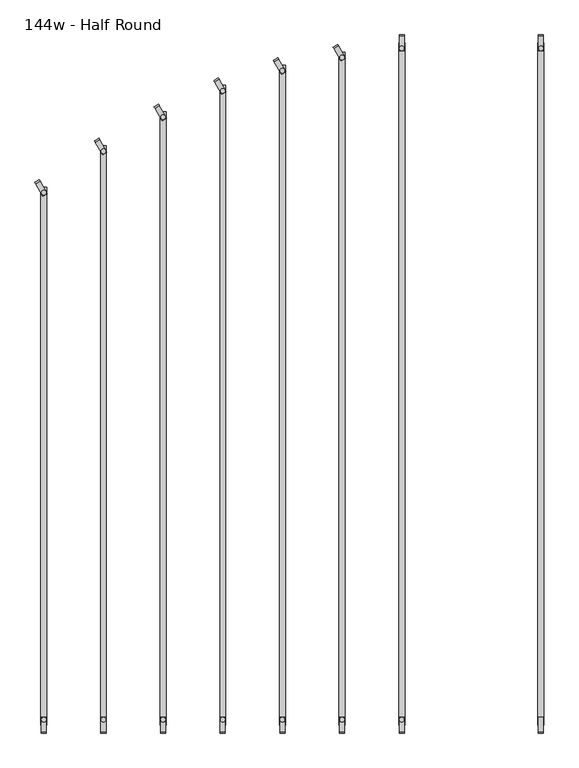
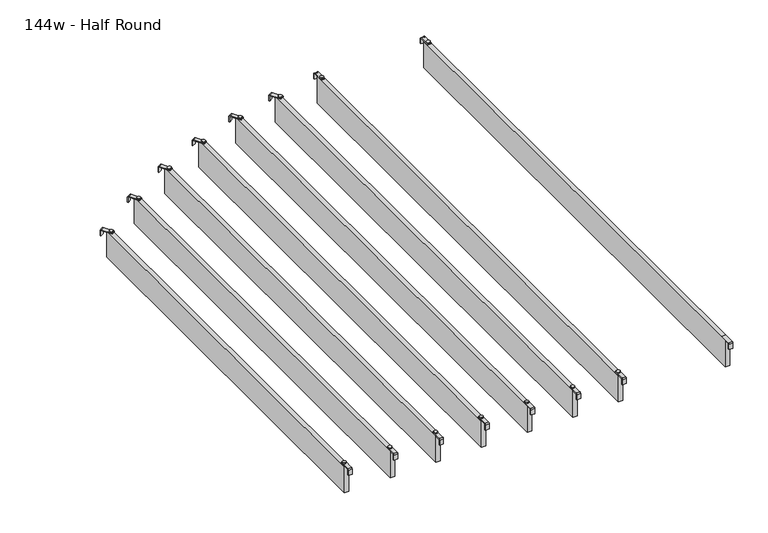
"""IFC4 building model written with IfcOpenShell, lengths in millimetres: furniture geometry, 144w - Half Round."""

from ifc_helpers import new_model, si_unit, point, frame, frame_2d, origin, place, context, project, spatial, polyline, circle_curve, trimmed, segment, composite_curve, outline, extrude, source, transform, mapped, element, save


def furniture_144w_half_round_812f437a(model_context):
    return source(origin(), model_context, "Body", "SweptSolid", [
        extrude(outline(composite_curve([segment(trimmed(circle_curve(frame_2d((215.9, -505.3424)), 5.9838099), [point((215.9, -511.3262099))], [point((215.9, -499.3585901))], False, "CARTESIAN"), True, "CONTINUOUS"), segment(trimmed(circle_curve(frame_2d((215.9, -505.3424)), 5.9838099), [point((215.9, -499.3585901))], [point((215.9, -511.3262099))], False, "CARTESIAN"), True, "CONTINUOUS")], self_intersect=False)), frame((0.0, 0.0, 2440.9329992), z_axis=(0.0, 0.0, 1.0), x_axis=(1.0, 0.0, 0.0)), (0.0, 0.0, 1.0), 3.4400008),
        extrude(outline(composite_curve([segment(polyline([(-2253.0946, 2419.2231711), (-2253.0946, 2437.2499992)]), True, "CONTINUOUS"), segment(trimmed(circle_curve(frame_2d((-2249.4116, 2437.2499992)), 3.683), [point((-2253.0946, 2437.2499992))], [point((-2249.4116, 2440.9329992))], False, "CARTESIAN"), True, "CONTINUOUS"), segment(polyline([(-2249.4116, 2440.9329992), (-2212.4346, 2440.9329992), (-2212.4346, 2438.2729997), (-2249.4251568, 2438.2729997)]), True, "CONTINUOUS"), segment(trimmed(circle_curve(frame_2d((-2249.4251568, 2437.2635571)), 1.0094425), [point((-2249.4251568, 2438.2729997))], [point((-2250.4345993, 2437.2635571))], True, "CARTESIAN"), True, "CONTINUOUS"), segment(polyline([(-2250.4345993, 2437.2635571), (-2250.4345993, 2419.2231711), (-2253.0946, 2419.2231711)]), True, "CONTINUOUS")], self_intersect=False)), frame((209.4069997, 0.0, 0.0), z_axis=(1.0, 0.0, 0.0), x_axis=(0.0, 1.0, 0.0)), (0.0, 0.0, 1.0), 13.0),
        extrude(outline(composite_curve([segment(polyline([(-471.1824, 2419.2231711), (-473.8424007, 2419.2231711), (-473.8424007, 2437.2635571)]), True, "CONTINUOUS"), segment(trimmed(circle_curve(frame_2d((-474.8518432, 2437.2635571)), 1.0094425), [point((-473.8424007, 2437.2635571))], [point((-474.8518432, 2438.2729997))], True, "CARTESIAN"), True, "CONTINUOUS"), segment(polyline([(-474.8518432, 2438.2729997), (-511.8424, 2438.2729997), (-511.8424, 2440.9329992), (-474.8654, 2440.9329992)]), True, "CONTINUOUS"), segment(trimmed(circle_curve(frame_2d((-474.8654, 2437.2499992)), 3.683), [point((-474.8654, 2440.9329992))], [point((-471.1824, 2437.2499992))], False, "CARTESIAN"), True, "CONTINUOUS"), segment(polyline([(-471.1824, 2437.2499992), (-471.1824, 2419.2231711)]), True, "CONTINUOUS")], self_intersect=False)), frame((209.4069997, 0.0, 0.0), z_axis=(1.0, 0.0, 0.0), x_axis=(0.0, 1.0, 0.0)), (0.0, 0.0, 1.0), 13.0),
        extrude(outline(polyline([(208.407, -491.6424), (223.393, -491.6424), (223.393, -2232.6346), (208.407, -2232.6346), (208.407, -491.6424)])), frame((0.0, 0.0, 2346.198), z_axis=(0.0, 0.0, 1.0), x_axis=(1.0, 0.0, 0.0)), (0.0, 0.0, 1.0), 92.202),
        extrude(outline(composite_curve([segment(trimmed(circle_curve(frame_2d((-139.7, -2218.9346)), 5.9838099), [point((-139.7, -2212.9507901))], [point((-139.7, -2224.9184099))], False, "CARTESIAN"), True, "CONTINUOUS"), segment(trimmed(circle_curve(frame_2d((-139.7, -2218.9346)), 5.9838099), [point((-139.7, -2224.9184099))], [point((-139.7, -2212.9507901))], False, "CARTESIAN"), True, "CONTINUOUS")], self_intersect=False)), frame((0.0, 0.0, 2440.9329992), z_axis=(0.0, 0.0, 1.0), x_axis=(1.0, 0.0, 0.0)), (0.0, 0.0, 1.0), 3.4400008),
        extrude(outline(composite_curve([segment(trimmed(circle_curve(frame_2d((-139.7, -505.3424)), 5.9838099), [point((-139.7, -511.3262099))], [point((-139.7, -499.3585901))], False, "CARTESIAN"), True, "CONTINUOUS"), segment(trimmed(circle_curve(frame_2d((-139.7, -505.3424)), 5.9838099), [point((-139.7, -499.3585901))], [point((-139.7, -511.3262099))], False, "CARTESIAN"), True, "CONTINUOUS")], self_intersect=False)), frame((0.0, 0.0, 2440.9329992), z_axis=(0.0, 0.0, 1.0), x_axis=(1.0, 0.0, 0.0)), (0.0, 0.0, 1.0), 3.4400008),
        extrude(outline(composite_curve([segment(polyline([(-2253.0946, 2419.2231711), (-2253.0946, 2437.2499992)]), True, "CONTINUOUS"), segment(trimmed(circle_curve(frame_2d((-2249.4116, 2437.2499992)), 3.683), [point((-2253.0946, 2437.2499992))], [point((-2249.4116, 2440.9329992))], False, "CARTESIAN"), True, "CONTINUOUS"), segment(polyline([(-2249.4116, 2440.9329992), (-2212.4346, 2440.9329992), (-2212.4346, 2438.2729997), (-2249.4251568, 2438.2729997)]), True, "CONTINUOUS"), segment(trimmed(circle_curve(frame_2d((-2249.4251568, 2437.2635571)), 1.0094425), [point((-2249.4251568, 2438.2729997))], [point((-2250.4345993, 2437.2635571))], True, "CARTESIAN"), True, "CONTINUOUS"), segment(polyline([(-2250.4345993, 2437.2635571), (-2250.4345993, 2419.2231711), (-2253.0946, 2419.2231711)]), True, "CONTINUOUS")], self_intersect=False)), frame((-146.1930003, 0.0, 0.0), z_axis=(1.0, 0.0, 0.0), x_axis=(0.0, 1.0, 0.0)), (0.0, 0.0, 1.0), 13.0),
        extrude(outline(composite_curve([segment(polyline([(-471.1824, 2419.2231711), (-473.8424007, 2419.2231711), (-473.8424007, 2437.2635571)]), True, "CONTINUOUS"), segment(trimmed(circle_curve(frame_2d((-474.8518432, 2437.2635571)), 1.0094425), [point((-473.8424007, 2437.2635571))], [point((-474.8518432, 2438.2729997))], True, "CARTESIAN"), True, "CONTINUOUS"), segment(polyline([(-474.8518432, 2438.2729997), (-511.8424, 2438.2729997), (-511.8424, 2440.9329992), (-474.8654, 2440.9329992)]), True, "CONTINUOUS"), segment(trimmed(circle_curve(frame_2d((-474.8654, 2437.2499992)), 3.683), [point((-474.8654, 2440.9329992))], [point((-471.1824, 2437.2499992))], False, "CARTESIAN"), True, "CONTINUOUS"), segment(polyline([(-471.1824, 2437.2499992), (-471.1824, 2419.2231711)]), True, "CONTINUOUS")], self_intersect=False)), frame((-146.1930003, 0.0, 0.0), z_axis=(1.0, 0.0, 0.0), x_axis=(0.0, 1.0, 0.0)), (0.0, 0.0, 1.0), 13.0),
        extrude(outline(polyline([(-147.193, -491.6424), (-132.207, -491.6424), (-132.207, -2232.6346), (-147.193, -2232.6346), (-147.193, -491.6424)])), frame((0.0, 0.0, 2346.198), z_axis=(0.0, 0.0, 1.0), x_axis=(1.0, 0.0, 0.0)), (0.0, 0.0, 1.0), 92.202),
        extrude(outline(composite_curve([segment(trimmed(circle_curve(frame_2d((-1.0160034, 0.0159996)), 1.016), [point((-1.0160034, -1.0000004))], [point((-3.4e-06, 0.0159996))], True, "CARTESIAN"), True, "CONTINUOUS"), segment(polyline([(-3.4e-06, 0.0159996), (-3.4e-06, 36.7785168), (2.5329992, 36.7785168), (2.5329992, 0.022999)]), True, "CONTINUOUS"), segment(trimmed(circle_curve(frame_2d((-1.1500008, 0.022999)), 3.683), [point((2.5329992, 0.022999))], [point((-1.1500008, -3.660001))], False, "CARTESIAN"), True, "CONTINUOUS"), segment(polyline([(-1.1500008, -3.660001), (-19.0498319, -3.660001), (-19.0498319, -1.0000004), (-1.0160034, -1.0000004)]), True, "CONTINUOUS")], self_intersect=False)), frame((-312.9791648, -505.5720262, 2438.4), z_axis=(0.8660254037843667, 0.5000000000001248, 0.0), x_axis=(0.0, 0.0, 1.0)), (0.0, 0.0, 1.0), 13.0000002),
        extrude(outline(composite_curve([segment(trimmed(circle_curve(frame_2d((-292.1, -2218.9346)), 5.9838099), [point((-292.1, -2212.9507901))], [point((-292.1, -2224.9184099))], False, "CARTESIAN"), True, "CONTINUOUS"), segment(trimmed(circle_curve(frame_2d((-292.1, -2218.9346)), 5.9838099), [point((-292.1, -2224.9184099))], [point((-292.1, -2212.9507901))], False, "CARTESIAN"), True, "CONTINUOUS")], self_intersect=False)), frame((0.0, 0.0, 2440.9329992), z_axis=(0.0, 0.0, 1.0), x_axis=(1.0, 0.0, 0.0)), (0.0, 0.0, 1.0), 3.4400008),
        extrude(outline(composite_curve([segment(trimmed(circle_curve(frame_2d((-292.1, -528.7358)), 5.9838099), [point((-292.1, -534.7196099))], [point((-292.1, -522.7519901))], False, "CARTESIAN"), True, "CONTINUOUS"), segment(trimmed(circle_curve(frame_2d((-292.1, -528.7358)), 5.9838099), [point((-292.1, -522.7519901))], [point((-292.1, -534.7196099))], False, "CARTESIAN"), True, "CONTINUOUS")], self_intersect=False)), frame((0.0, 0.0, 2440.9329992), z_axis=(0.0, 0.0, 1.0), x_axis=(1.0, 0.0, 0.0)), (0.0, 0.0, 1.0), 3.4400008),
        extrude(outline(composite_curve([segment(polyline([(-2253.0946, 2419.2231711), (-2253.0946, 2437.2499992)]), True, "CONTINUOUS"), segment(trimmed(circle_curve(frame_2d((-2249.4116, 2437.2499992)), 3.683), [point((-2253.0946, 2437.2499992))], [point((-2249.4116, 2440.9329992))], False, "CARTESIAN"), True, "CONTINUOUS"), segment(polyline([(-2249.4116, 2440.9329992), (-2212.4346, 2440.9329992), (-2212.4346, 2438.2729997), (-2249.4251568, 2438.2729997)]), True, "CONTINUOUS"), segment(trimmed(circle_curve(frame_2d((-2249.4251568, 2437.2635571)), 1.0094425), [point((-2249.4251568, 2438.2729997))], [point((-2250.4345993, 2437.2635571))], True, "CARTESIAN"), True, "CONTINUOUS"), segment(polyline([(-2250.4345993, 2437.2635571), (-2250.4345993, 2419.2231711), (-2253.0946, 2419.2231711)]), True, "CONTINUOUS")], self_intersect=False)), frame((-298.5930003, 0.0, 0.0), z_axis=(1.0, 0.0, 0.0), x_axis=(0.0, 1.0, 0.0)), (0.0, 0.0, 1.0), 13.0),
        extrude(outline(polyline([(-299.593, -515.0358), (-284.607, -515.0358), (-284.607, -2232.6346), (-299.593, -2232.6346), (-299.593, -515.0358)])), frame((0.0, 0.0, 2346.198), z_axis=(0.0, 0.0, 1.0), x_axis=(1.0, 0.0, 0.0)), (0.0, 0.0, 1.0), 92.202),
        extrude(outline(composite_curve([segment(trimmed(circle_curve(frame_2d((-1.0160034, 0.0159996)), 1.016), [point((-1.0160034, -1.0000004))], [point((-3.4e-06, 0.0159996))], True, "CARTESIAN"), True, "CONTINUOUS"), segment(polyline([(-3.4e-06, 0.0159996), (-3.4e-06, 36.7785168), (2.5329992, 36.7785168), (2.5329992, 0.022999)]), True, "CONTINUOUS"), segment(trimmed(circle_curve(frame_2d((-1.1500008, 0.022999)), 3.683), [point((2.5329992, 0.022999))], [point((-1.1500008, -3.660001))], False, "CARTESIAN"), True, "CONTINUOUS"), segment(polyline([(-1.1500008, -3.660001), (-19.0498319, -3.660001), (-19.0498319, -1.0000004), (-1.0160034, -1.0000004)]), True, "CONTINUOUS")], self_intersect=False)), frame((-465.3791648, -539.4048262, 2438.4), z_axis=(0.8660254037843667, 0.5000000000001248, 0.0), x_axis=(0.0, 0.0, 1.0)), (0.0, 0.0, 1.0), 13.0000002),
        extrude(outline(composite_curve([segment(trimmed(circle_curve(frame_2d((-444.5, -2218.9346)), 5.9838099), [point((-444.5, -2212.9507901))], [point((-444.5, -2224.9184099))], False, "CARTESIAN"), True, "CONTINUOUS"), segment(trimmed(circle_curve(frame_2d((-444.5, -2218.9346)), 5.9838099), [point((-444.5, -2224.9184099))], [point((-444.5, -2212.9507901))], False, "CARTESIAN"), True, "CONTINUOUS")], self_intersect=False)), frame((0.0, 0.0, 2440.9329992), z_axis=(0.0, 0.0, 1.0), x_axis=(1.0, 0.0, 0.0)), (0.0, 0.0, 1.0), 3.4400008),
        extrude(outline(composite_curve([segment(trimmed(circle_curve(frame_2d((-444.5, -562.5686)), 5.9838099), [point((-444.5, -568.5524099))], [point((-444.5, -556.5847901))], False, "CARTESIAN"), True, "CONTINUOUS"), segment(trimmed(circle_curve(frame_2d((-444.5, -562.5686)), 5.9838099), [point((-444.5, -556.5847901))], [point((-444.5, -568.5524099))], False, "CARTESIAN"), True, "CONTINUOUS")], self_intersect=False)), frame((0.0, 0.0, 2440.9329992), z_axis=(0.0, 0.0, 1.0), x_axis=(1.0, 0.0, 0.0)), (0.0, 0.0, 1.0), 3.4400008),
        extrude(outline(composite_curve([segment(polyline([(-2253.0946, 2419.2231711), (-2253.0946, 2437.2499992)]), True, "CONTINUOUS"), segment(trimmed(circle_curve(frame_2d((-2249.4116, 2437.2499992)), 3.683), [point((-2253.0946, 2437.2499992))], [point((-2249.4116, 2440.9329992))], False, "CARTESIAN"), True, "CONTINUOUS"), segment(polyline([(-2249.4116, 2440.9329992), (-2212.4346, 2440.9329992), (-2212.4346, 2438.2729997), (-2249.4251568, 2438.2729997)]), True, "CONTINUOUS"), segment(trimmed(circle_curve(frame_2d((-2249.4251568, 2437.2635571)), 1.0094425), [point((-2249.4251568, 2438.2729997))], [point((-2250.4345993, 2437.2635571))], True, "CARTESIAN"), True, "CONTINUOUS"), segment(polyline([(-2250.4345993, 2437.2635571), (-2250.4345993, 2419.2231711), (-2253.0946, 2419.2231711)]), True, "CONTINUOUS")], self_intersect=False)), frame((-450.9930003, 0.0, 0.0), z_axis=(1.0, 0.0, 0.0), x_axis=(0.0, 1.0, 0.0)), (0.0, 0.0, 1.0), 13.0),
        extrude(outline(polyline([(-451.993, -548.8686), (-437.007, -548.8686), (-437.007, -2232.6346), (-451.993, -2232.6346), (-451.993, -548.8686)])), frame((0.0, 0.0, 2346.198), z_axis=(0.0, 0.0, 1.0), x_axis=(1.0, 0.0, 0.0)), (0.0, 0.0, 1.0), 92.202),
        extrude(outline(composite_curve([segment(trimmed(circle_curve(frame_2d((-1.0160034, 0.0159996)), 1.016), [point((-1.0160034, -1.0000004))], [point((-3.4e-06, 0.0159996))], True, "CARTESIAN"), True, "CONTINUOUS"), segment(polyline([(-3.4e-06, 0.0159996), (-3.4e-06, 36.7785168), (2.5329992, 36.7785168), (2.5329992, 0.022999)]), True, "CONTINUOUS"), segment(trimmed(circle_curve(frame_2d((-1.1500008, 0.022999)), 3.683), [point((2.5329992, 0.022999))], [point((-1.1500008, -3.660001))], False, "CARTESIAN"), True, "CONTINUOUS"), segment(polyline([(-1.1500008, -3.660001), (-19.0498319, -3.660001), (-19.0498319, -1.0000004), (-1.0160034, -1.0000004)]), True, "CONTINUOUS")], self_intersect=False)), frame((-617.7791648, -590.7890262, 2438.4), z_axis=(0.8660254037843667, 0.5000000000001248, 0.0), x_axis=(0.0, 0.0, 1.0)), (0.0, 0.0, 1.0), 13.0000002),
        extrude(outline(composite_curve([segment(trimmed(circle_curve(frame_2d((-596.9, -2218.9346)), 5.9838099), [point((-596.9, -2212.9507901))], [point((-596.9, -2224.9184099))], False, "CARTESIAN"), True, "CONTINUOUS"), segment(trimmed(circle_curve(frame_2d((-596.9, -2218.9346)), 5.9838099), [point((-596.9, -2224.9184099))], [point((-596.9, -2212.9507901))], False, "CARTESIAN"), True, "CONTINUOUS")], self_intersect=False)), frame((0.0, 0.0, 2440.9329992), z_axis=(0.0, 0.0, 1.0), x_axis=(1.0, 0.0, 0.0)), (0.0, 0.0, 1.0), 3.4400008),
        extrude(outline(composite_curve([segment(trimmed(circle_curve(frame_2d((-596.9, -613.9528)), 5.9838099), [point((-596.9, -619.9366099))], [point((-596.9, -607.9689901))], False, "CARTESIAN"), True, "CONTINUOUS"), segment(trimmed(circle_curve(frame_2d((-596.9, -613.9528)), 5.9838099), [point((-596.9, -607.9689901))], [point((-596.9, -619.9366099))], False, "CARTESIAN"), True, "CONTINUOUS")], self_intersect=False)), frame((0.0, 0.0, 2440.9329992), z_axis=(0.0, 0.0, 1.0), x_axis=(1.0, 0.0, 0.0)), (0.0, 0.0, 1.0), 3.4400008),
        extrude(outline(composite_curve([segment(polyline([(-2253.0946, 2419.2231711), (-2253.0946, 2437.2499992)]), True, "CONTINUOUS"), segment(trimmed(circle_curve(frame_2d((-2249.4116, 2437.2499992)), 3.683), [point((-2253.0946, 2437.2499992))], [point((-2249.4116, 2440.9329992))], False, "CARTESIAN"), True, "CONTINUOUS"), segment(polyline([(-2249.4116, 2440.9329992), (-2212.4346, 2440.9329992), (-2212.4346, 2438.2729997), (-2249.4251568, 2438.2729997)]), True, "CONTINUOUS"), segment(trimmed(circle_curve(frame_2d((-2249.4251568, 2437.2635571)), 1.0094425), [point((-2249.4251568, 2438.2729997))], [point((-2250.4345993, 2437.2635571))], True, "CARTESIAN"), True, "CONTINUOUS"), segment(polyline([(-2250.4345993, 2437.2635571), (-2250.4345993, 2419.2231711), (-2253.0946, 2419.2231711)]), True, "CONTINUOUS")], self_intersect=False)), frame((-603.3930003, 0.0, 0.0), z_axis=(1.0, 0.0, 0.0), x_axis=(0.0, 1.0, 0.0)), (0.0, 0.0, 1.0), 13.0),
        extrude(outline(polyline([(-604.393, -600.2528), (-589.407, -600.2528), (-589.407, -2232.6346), (-604.393, -2232.6346), (-604.393, -600.2528)])), frame((0.0, 0.0, 2346.198), z_axis=(0.0, 0.0, 1.0), x_axis=(1.0, 0.0, 0.0)), (0.0, 0.0, 1.0), 92.202),
        extrude(outline(composite_curve([segment(trimmed(circle_curve(frame_2d((-1.0160034, 0.0159996)), 1.016), [point((-1.0160034, -1.0000004))], [point((-3.4e-06, 0.0159996))], True, "CARTESIAN"), True, "CONTINUOUS"), segment(polyline([(-3.4e-06, 0.0159996), (-3.4e-06, 36.7785168), (2.5329992, 36.7785168), (2.5329992, 0.022999)]), True, "CONTINUOUS"), segment(trimmed(circle_curve(frame_2d((-1.1500008, 0.022999)), 3.683), [point((2.5329992, 0.022999))], [point((-1.1500008, -3.660001))], False, "CARTESIAN"), True, "CONTINUOUS"), segment(polyline([(-1.1500008, -3.660001), (-19.0498319, -3.660001), (-19.0498319, -1.0000004), (-1.0160034, -1.0000004)]), True, "CONTINUOUS")], self_intersect=False)), frame((-770.1791648, -657.9466262, 2438.4), z_axis=(0.8660254037843667, 0.5000000000001248, 0.0), x_axis=(0.0, 0.0, 1.0)), (0.0, 0.0, 1.0), 13.0000002),
        extrude(outline(composite_curve([segment(trimmed(circle_curve(frame_2d((-749.3, -2218.9346)), 5.9838099), [point((-749.3, -2212.9507901))], [point((-749.3, -2224.9184099))], False, "CARTESIAN"), True, "CONTINUOUS"), segment(trimmed(circle_curve(frame_2d((-749.3, -2218.9346)), 5.9838099), [point((-749.3, -2224.9184099))], [point((-749.3, -2212.9507901))], False, "CARTESIAN"), True, "CONTINUOUS")], self_intersect=False)), frame((0.0, 0.0, 2440.9329992), z_axis=(0.0, 0.0, 1.0), x_axis=(1.0, 0.0, 0.0)), (0.0, 0.0, 1.0), 3.4400008),
        extrude(outline(composite_curve([segment(trimmed(circle_curve(frame_2d((-749.3, -681.1104)), 5.9838099), [point((-749.3, -687.0942099))], [point((-749.3, -675.1265901))], False, "CARTESIAN"), True, "CONTINUOUS"), segment(trimmed(circle_curve(frame_2d((-749.3, -681.1104)), 5.9838099), [point((-749.3, -675.1265901))], [point((-749.3, -687.0942099))], False, "CARTESIAN"), True, "CONTINUOUS")], self_intersect=False)), frame((0.0, 0.0, 2440.9329992), z_axis=(0.0, 0.0, 1.0), x_axis=(1.0, 0.0, 0.0)), (0.0, 0.0, 1.0), 3.4400008),
        extrude(outline(composite_curve([segment(polyline([(-2253.0946, 2419.2231711), (-2253.0946, 2437.2499992)]), True, "CONTINUOUS"), segment(trimmed(circle_curve(frame_2d((-2249.4116, 2437.2499992)), 3.683), [point((-2253.0946, 2437.2499992))], [point((-2249.4116, 2440.9329992))], False, "CARTESIAN"), True, "CONTINUOUS"), segment(polyline([(-2249.4116, 2440.9329992), (-2212.4346, 2440.9329992), (-2212.4346, 2438.2729997), (-2249.4251568, 2438.2729997)]), True, "CONTINUOUS"), segment(trimmed(circle_curve(frame_2d((-2249.4251568, 2437.2635571)), 1.0094425), [point((-2249.4251568, 2438.2729997))], [point((-2250.4345993, 2437.2635571))], True, "CARTESIAN"), True, "CONTINUOUS"), segment(polyline([(-2250.4345993, 2437.2635571), (-2250.4345993, 2419.2231711), (-2253.0946, 2419.2231711)]), True, "CONTINUOUS")], self_intersect=False)), frame((-755.7930003, 0.0, 0.0), z_axis=(1.0, 0.0, 0.0), x_axis=(0.0, 1.0, 0.0)), (0.0, 0.0, 1.0), 13.0),
        extrude(outline(polyline([(-756.793, -667.4104), (-741.807, -667.4104), (-741.807, -2232.6346), (-756.793, -2232.6346), (-756.793, -667.4104)])), frame((0.0, 0.0, 2346.198), z_axis=(0.0, 0.0, 1.0), x_axis=(1.0, 0.0, 0.0)), (0.0, 0.0, 1.0), 92.202),
        extrude(outline(composite_curve([segment(trimmed(circle_curve(frame_2d((-1.0160034, 0.0159996)), 1.016), [point((-1.0160034, -1.0000004))], [point((-3.4e-06, 0.0159996))], True, "CARTESIAN"), True, "CONTINUOUS"), segment(polyline([(-3.4e-06, 0.0159996), (-3.4e-06, 36.7785168), (2.5329992, 36.7785168), (2.5329992, 0.022999)]), True, "CONTINUOUS"), segment(trimmed(circle_curve(frame_2d((-1.1500008, 0.022999)), 3.683), [point((2.5329992, 0.022999))], [point((-1.1500008, -3.660001))], False, "CARTESIAN"), True, "CONTINUOUS"), segment(polyline([(-1.1500008, -3.660001), (-19.0498319, -3.660001), (-19.0498319, -1.0000004), (-1.0160034, -1.0000004)]), True, "CONTINUOUS")], self_intersect=False)), frame((-922.5791648, -744.8400262, 2438.4), z_axis=(0.8660254037843667, 0.5000000000001248, 0.0), x_axis=(0.0, 0.0, 1.0)), (0.0, 0.0, 1.0), 13.0000002),
        extrude(outline(composite_curve([segment(trimmed(circle_curve(frame_2d((-901.7, -2218.9346)), 5.9838099), [point((-901.7, -2212.9507901))], [point((-901.7, -2224.9184099))], False, "CARTESIAN"), True, "CONTINUOUS"), segment(trimmed(circle_curve(frame_2d((-901.7, -2218.9346)), 5.9838099), [point((-901.7, -2224.9184099))], [point((-901.7, -2212.9507901))], False, "CARTESIAN"), True, "CONTINUOUS")], self_intersect=False)), frame((0.0, 0.0, 2440.9329992), z_axis=(0.0, 0.0, 1.0), x_axis=(1.0, 0.0, 0.0)), (0.0, 0.0, 1.0), 3.4400008),
        extrude(outline(composite_curve([segment(trimmed(circle_curve(frame_2d((-901.7, -768.0038)), 5.9838099), [point((-901.7, -773.9876099))], [point((-901.7, -762.0199901))], False, "CARTESIAN"), True, "CONTINUOUS"), segment(trimmed(circle_curve(frame_2d((-901.7, -768.0038)), 5.9838099), [point((-901.7, -762.0199901))], [point((-901.7, -773.9876099))], False, "CARTESIAN"), True, "CONTINUOUS")], self_intersect=False)), frame((0.0, 0.0, 2440.9329992), z_axis=(0.0, 0.0, 1.0), x_axis=(1.0, 0.0, 0.0)), (0.0, 0.0, 1.0), 3.4400008),
        extrude(outline(composite_curve([segment(polyline([(-2253.0946, 2419.2231711), (-2253.0946, 2437.2499992)]), True, "CONTINUOUS"), segment(trimmed(circle_curve(frame_2d((-2249.4116, 2437.2499992)), 3.683), [point((-2253.0946, 2437.2499992))], [point((-2249.4116, 2440.9329992))], False, "CARTESIAN"), True, "CONTINUOUS"), segment(polyline([(-2249.4116, 2440.9329992), (-2212.4346, 2440.9329992), (-2212.4346, 2438.2729997), (-2249.4251568, 2438.2729997)]), True, "CONTINUOUS"), segment(trimmed(circle_curve(frame_2d((-2249.4251568, 2437.2635571)), 1.0094425), [point((-2249.4251568, 2438.2729997))], [point((-2250.4345993, 2437.2635571))], True, "CARTESIAN"), True, "CONTINUOUS"), segment(polyline([(-2250.4345993, 2437.2635571), (-2250.4345993, 2419.2231711), (-2253.0946, 2419.2231711)]), True, "CONTINUOUS")], self_intersect=False)), frame((-908.1930003, 0.0, 0.0), z_axis=(1.0, 0.0, 0.0), x_axis=(0.0, 1.0, 0.0)), (0.0, 0.0, 1.0), 13.0),
        extrude(outline(polyline([(-909.193, -754.3038), (-894.207, -754.3038), (-894.207, -2232.6346), (-909.193, -2232.6346), (-909.193, -754.3038)])), frame((0.0, 0.0, 2346.198), z_axis=(0.0, 0.0, 1.0), x_axis=(1.0, 0.0, 0.0)), (0.0, 0.0, 1.0), 92.202),
        extrude(outline(composite_curve([segment(trimmed(circle_curve(frame_2d((-1.0160034, 0.0159996)), 1.016), [point((-1.0160034, -1.0000004))], [point((-3.4e-06, 0.0159996))], True, "CARTESIAN"), True, "CONTINUOUS"), segment(polyline([(-3.4e-06, 0.0159996), (-3.4e-06, 36.7785168), (2.5329992, 36.7785168), (2.5329992, 0.022999)]), True, "CONTINUOUS"), segment(trimmed(circle_curve(frame_2d((-1.1500008, 0.022999)), 3.683), [point((2.5329992, 0.022999))], [point((-1.1500008, -3.660001))], False, "CARTESIAN"), True, "CONTINUOUS"), segment(polyline([(-1.1500008, -3.660001), (-19.0498319, -3.660001), (-19.0498319, -1.0000004), (-1.0160034, -1.0000004)]), True, "CONTINUOUS")], self_intersect=False)), frame((-1074.9791648, -850.6564262, 2438.4), z_axis=(0.8660254037843667, 0.5000000000001248, 0.0), x_axis=(0.0, 0.0, 1.0)), (0.0, 0.0, 1.0), 13.0000002),
        extrude(outline(composite_curve([segment(trimmed(circle_curve(frame_2d((-1054.1, -2218.9346)), 5.9838099), [point((-1054.1, -2212.9507901))], [point((-1054.1, -2224.9184099))], False, "CARTESIAN"), True, "CONTINUOUS"), segment(trimmed(circle_curve(frame_2d((-1054.1, -2218.9346)), 5.9838099), [point((-1054.1, -2224.9184099))], [point((-1054.1, -2212.9507901))], False, "CARTESIAN"), True, "CONTINUOUS")], self_intersect=False)), frame((0.0, 0.0, 2440.9329992), z_axis=(0.0, 0.0, 1.0), x_axis=(1.0, 0.0, 0.0)), (0.0, 0.0, 1.0), 3.4400008),
        extrude(outline(composite_curve([segment(trimmed(circle_curve(frame_2d((-1054.1, -873.8202)), 5.9838099), [point((-1054.1, -879.8040099))], [point((-1054.1, -867.8363901))], False, "CARTESIAN"), True, "CONTINUOUS"), segment(trimmed(circle_curve(frame_2d((-1054.1, -873.8202)), 5.9838099), [point((-1054.1, -867.8363901))], [point((-1054.1, -879.8040099))], False, "CARTESIAN"), True, "CONTINUOUS")], self_intersect=False)), frame((0.0, 0.0, 2440.9329992), z_axis=(0.0, 0.0, 1.0), x_axis=(1.0, 0.0, 0.0)), (0.0, 0.0, 1.0), 3.4400008),
        extrude(outline(composite_curve([segment(polyline([(-2253.0946, 2419.2231711), (-2253.0946, 2437.2499992)]), True, "CONTINUOUS"), segment(trimmed(circle_curve(frame_2d((-2249.4116, 2437.2499992)), 3.683), [point((-2253.0946, 2437.2499992))], [point((-2249.4116, 2440.9329992))], False, "CARTESIAN"), True, "CONTINUOUS"), segment(polyline([(-2249.4116, 2440.9329992), (-2212.4346, 2440.9329992), (-2212.4346, 2438.2729997), (-2249.4251568, 2438.2729997)]), True, "CONTINUOUS"), segment(trimmed(circle_curve(frame_2d((-2249.4251568, 2437.2635571)), 1.0094425), [point((-2249.4251568, 2438.2729997))], [point((-2250.4345993, 2437.2635571))], True, "CARTESIAN"), True, "CONTINUOUS"), segment(polyline([(-2250.4345993, 2437.2635571), (-2250.4345993, 2419.2231711), (-2253.0946, 2419.2231711)]), True, "CONTINUOUS")], self_intersect=False)), frame((-1060.5930003, 0.0, 0.0), z_axis=(1.0, 0.0, 0.0), x_axis=(0.0, 1.0, 0.0)), (0.0, 0.0, 1.0), 13.0),
        extrude(outline(polyline([(-1061.593, -860.1202), (-1046.607, -860.1202), (-1046.607, -2232.6346), (-1061.593, -2232.6346), (-1061.593, -860.1202)])), frame((0.0, 0.0, 2346.198), z_axis=(0.0, 0.0, 1.0), x_axis=(1.0, 0.0, 0.0)), (0.0, 0.0, 1.0), 92.202),
    ])


if __name__ == "__main__":
    model = new_model("IFC4")
    model_context = context("Model", 3, world=origin())
    ifc_project = project(units=[si_unit("LENGTHUNIT", "METRE", prefix="MILLI")], contexts=[model_context])
    site = spatial("IfcSite", under=ifc_project)
    building = spatial("IfcBuilding", under=site)
    placement = place(None, origin())
    furniture_144w_half_round_shape = furniture_144w_half_round_812f437a(model_context)
    element("IfcFurniture", 1, ObjectType="144w - Half Round", at=placement, inside=building, context=model_context, shape_type="MappedRepresentation", body=[
        mapped(furniture_144w_half_round_shape, transform((0.0, 0.0, 0.0), x_axis=(1.0, 0.0, 0.0), y_axis=(0.0, 1.0, 0.0), z_axis=(0.0, 0.0, 1.0))),
    ])
    save(model, "model.ifc")
